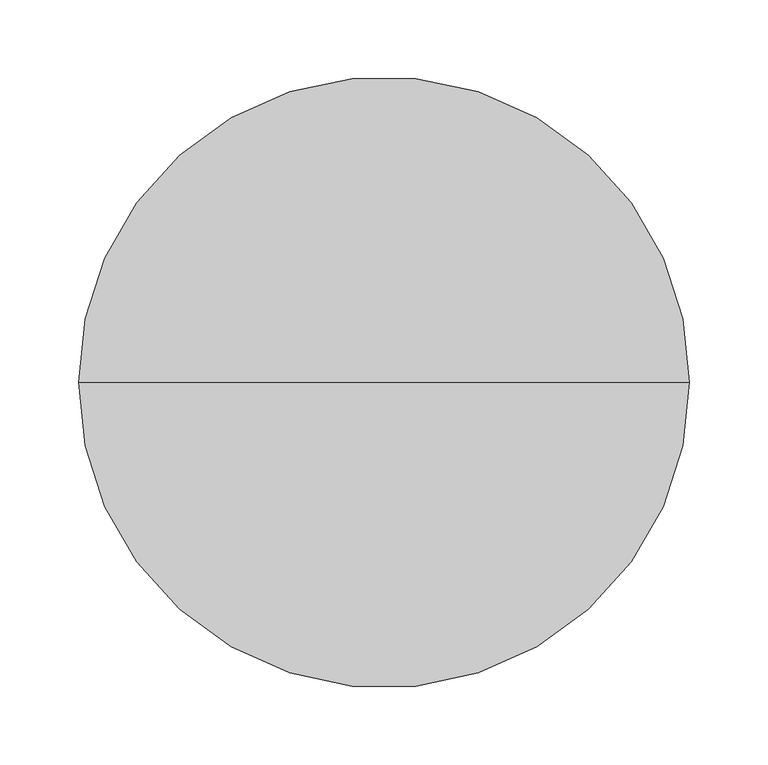
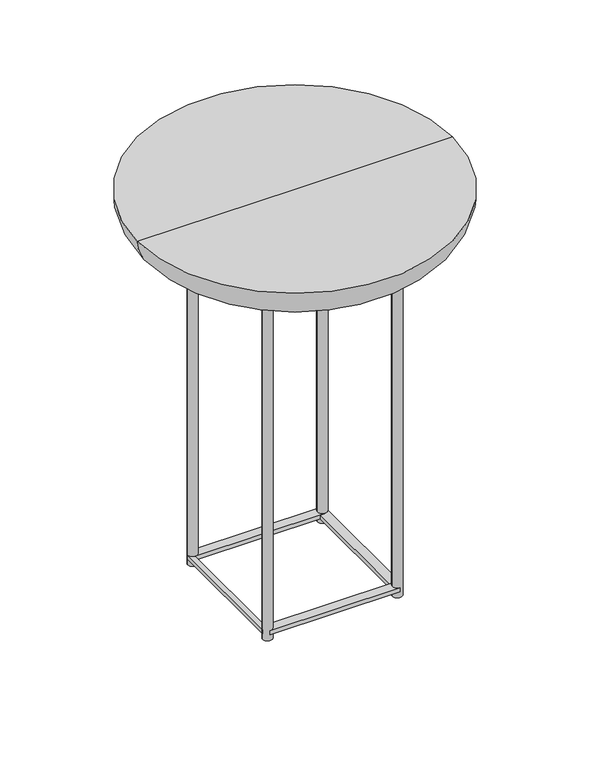
"""IFC4 building model written with IfcOpenShell, lengths in millimetres: furniture geometry."""

from ifc_helpers import new_model, si_unit, point, frame, frame_2d, origin, origin_with_axes, place, context, project, spatial, polyline, circle_curve, ellipse_curve, trimmed, segment, composite_curve, outline, extrude, source, transform, mapped, element, save
from ifc_brep_helpers import plane_surface, revolved_surface, advanced_brep


def furniture_aaf58f2f(model_context):
    return source(origin(), model_context, "Body", "SolidModel", [
        advanced_brep(
        [(-171.67098, 0.0, 468.00008), (171.67098, 0.0, 468.00008), (0.0, 0.0, 468.00008), (-194.31, 0.0, 508.0), (194.31, 0.0, 508.0), (0.0, 0.0, 508.0)],
        [
            (0, 1, circle_curve(frame((0.0, 0.0, 468.00008), z_axis=(0.0, 0.0, -1.0), x_axis=(1.0, 0.0, 0.0)), 171.67098)),
            (1, 2),
            (2, 0),
            (1, 0, circle_curve(frame((0.0, 0.0, 468.00008), z_axis=(0.0, 0.0, -1.0), x_axis=(1.0, 0.0, 0.0)), 171.67098)),
            (3, 4, circle_curve(frame((0.0, 0.0, 508.0), z_axis=(0.0, 0.0, -1.0), x_axis=(1.0, 0.0, 0.0)), 194.31)),
            (4, 1, circle_curve(frame((146.7331816, 0.0, 508.5208293), z_axis=(0.0, 1.0, 0.0), x_axis=(1.0, 0.0, 0.0)), 47.5796691)),
            (0, 3, circle_curve(frame((-146.7331816, 0.0, 508.5208293), z_axis=(0.0, 1.0, 0.0), x_axis=(-1.0, 0.0, 0.0)), 47.5796691)),
            (4, 3, circle_curve(frame((0.0, 0.0, 508.0), z_axis=(0.0, 0.0, -1.0), x_axis=(1.0, 0.0, 0.0)), 194.31)),
            (5, 4),
            (3, 5),
        ],
        [
            plane_surface(frame((0.0, 0.0, 468.00008), z_axis=(0.0, 0.0, -1.0), x_axis=(1.0, 0.0, 0.0))),
            revolved_surface(trimmed(ellipse_curve(frame((146.7331816, 0.0, 508.5208293), z_axis=(0.0, -1.0, 0.0), x_axis=(1.0, 0.0, 0.0)), 47.5796691, 47.5796691), [point((171.67098, 0.0, 468.00008))], [point((194.31, 0.0, 508.0))], True, "CARTESIAN"), (0.0, 0.0, 238.59998), (0.0, 0.0, 1.0)),
            plane_surface(frame((0.0, 0.0, 508.0), z_axis=(0.0, 0.0, 1.0), x_axis=(1.0, 0.0, 0.0))),
        ],
        [
            (0, [[1, 2, 3]]),
            (0, [[4, -3, -2]]),
            (1, [[5, 6, -1, 7]]),
            (1, [[8, -7, -4, -6]]),
            (2, [[9, -5, 10]]),
            (2, [[-10, -8, -9]]),
        ],
    ),
        extrude(outline(polyline([(79.99984, -73.99782), (79.99984, -86.00186), (-79.99984, -86.00186), (-79.99984, -73.99782), (79.99984, -73.99782)])), frame((0.0, 0.0, 7.49935), z_axis=(0.0, 0.0, 1.0), x_axis=(1.0, 0.0, 0.0)), (0.0, 0.0, 1.0), 5.00126),
        extrude(outline(polyline([(79.99984, 86.00186), (79.99984, 73.99782), (-79.99984, 73.99782), (-79.99984, 86.00186), (79.99984, 86.00186)])), frame((0.0, 0.0, 7.49935), z_axis=(0.0, 0.0, 1.0), x_axis=(1.0, 0.0, 0.0)), (0.0, 0.0, 1.0), 5.00126),
        extrude(outline(polyline([(86.00186, -79.99984), (73.99782, -79.99984), (73.99782, 79.99984), (86.00186, 79.99984), (86.00186, -79.99984)])), frame((0.0, 0.0, 7.49935), z_axis=(0.0, 0.0, 1.0), x_axis=(1.0, 0.0, 0.0)), (0.0, 0.0, 1.0), 5.00126),
        extrude(outline(polyline([(-79.99984, -79.99984), (-86.00186, -79.99984), (-86.00186, 79.99984), (-79.99984, 79.99984), (-79.99984, -79.99984)])), frame((0.0, 0.0, 7.49935), z_axis=(0.0, 0.0, 1.0), x_axis=(1.0, 0.0, 0.0)), (0.0, 0.0, 1.0), 5.00126),
        extrude(outline(composite_curve([segment(trimmed(circle_curve(frame_2d((-79.99984, -79.99984)), 5.99948), [point((-85.99932, -79.99984))], [point((-74.00036, -79.99984))], False, "CARTESIAN"), True, "CONTINUOUS"), segment(trimmed(circle_curve(frame_2d((-79.99984, -79.99984)), 5.99948), [point((-74.00036, -79.99984))], [point((-85.99932, -79.99984))], False, "CARTESIAN"), True, "CONTINUOUS")], self_intersect=False)), origin_with_axes(), (0.0, 0.0, 1.0), 468.00008),
        extrude(outline(composite_curve([segment(trimmed(circle_curve(frame_2d((79.99984, -79.99984)), 5.99948), [point((74.00036, -79.99984))], [point((85.99932, -79.99984))], False, "CARTESIAN"), True, "CONTINUOUS"), segment(trimmed(circle_curve(frame_2d((79.99984, -79.99984)), 5.99948), [point((85.99932, -79.99984))], [point((74.00036, -79.99984))], False, "CARTESIAN"), True, "CONTINUOUS")], self_intersect=False)), origin_with_axes(), (0.0, 0.0, 1.0), 468.00008),
        extrude(outline(composite_curve([segment(trimmed(circle_curve(frame_2d((79.99984, 79.99984)), 5.99948), [point((74.00036, 79.99984))], [point((85.99932, 79.99984))], False, "CARTESIAN"), True, "CONTINUOUS"), segment(trimmed(circle_curve(frame_2d((79.99984, 79.99984)), 5.99948), [point((85.99932, 79.99984))], [point((74.00036, 79.99984))], False, "CARTESIAN"), True, "CONTINUOUS")], self_intersect=False)), origin_with_axes(), (0.0, 0.0, 1.0), 468.00008),
        extrude(outline(composite_curve([segment(trimmed(circle_curve(frame_2d((-79.99984, 79.99984)), 5.99948), [point((-85.99932, 79.99984))], [point((-74.00036, 79.99984))], False, "CARTESIAN"), True, "CONTINUOUS"), segment(trimmed(circle_curve(frame_2d((-79.99984, 79.99984)), 5.99948), [point((-74.00036, 79.99984))], [point((-85.99932, 79.99984))], False, "CARTESIAN"), True, "CONTINUOUS")], self_intersect=False)), origin_with_axes(), (0.0, 0.0, 1.0), 468.00008),
    ])


if __name__ == "__main__":
    model = new_model("IFC4")
    model_context = context("Model", 3, world=origin())
    ifc_project = project(units=[si_unit("LENGTHUNIT", "METRE", prefix="MILLI")], contexts=[model_context])
    site = spatial("IfcSite", under=ifc_project)
    building = spatial("IfcBuilding", under=site)
    placement = place(None, origin())
    furniture_shape = furniture_aaf58f2f(model_context)
    element("IfcFurniture", 1, at=placement, inside=building, context=model_context, shape_type="MappedRepresentation", body=[
        mapped(furniture_shape, transform((0.0, 0.0, 0.0), x_axis=(1.0, 0.0, 0.0), y_axis=(0.0, 1.0, 0.0), z_axis=(0.0, 0.0, 1.0))),
    ])
    save(model, "model.ifc")
